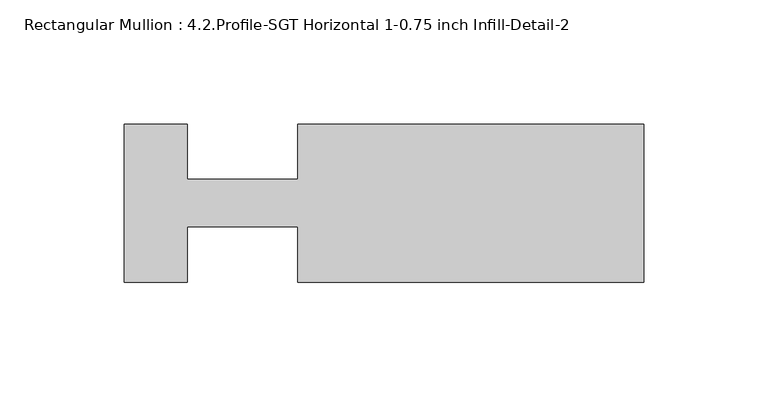
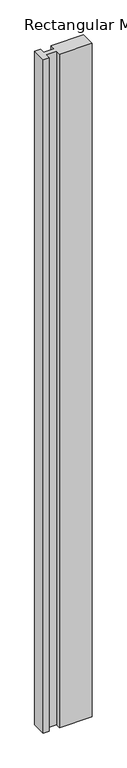
"""IFC4 building model written with IfcOpenShell, lengths in millimetres: member geometry, Rectangular Mullion : 4.2.Profile-SGT Horizontal 1-0.75 inch Infill-Detail-2."""

from ifc_helpers import new_model, si_unit, frame, origin, place, context, project, spatial, polyline, outline, extrude, source, transform, mapped, element, save


def rectangular_mullion_4_2_profile_sgt_horizontal_1_0_75_inch_eb58a43b(model_context):
    return source(origin(), model_context, "Body", "SweptSolid", [
        extrude(outline(polyline([(-209.042, 31.75), (-183.6547603, 31.75), (-183.6547603, 9.5251132), (-139.192, 9.5251132), (-139.192, 31.75), (0.0, 31.75), (0.0, -31.75), (-139.192, -31.75), (-139.192, -9.5250001), (-183.6547603, -9.5250001), (-183.6547603, -31.75), (-209.042, -31.75), (-209.042, 31.75)])), frame((0.0, 0.0, -3048.0), z_axis=(0.0, 0.0, 1.0), x_axis=(1.0, 0.0, 0.0)), (0.0, 0.0, 1.0), 3048.0),
    ])


if __name__ == "__main__":
    model = new_model("IFC4")
    model_context = context("Model", 3, world=origin())
    ifc_project = project(units=[si_unit("LENGTHUNIT", "METRE", prefix="MILLI")], contexts=[model_context])
    site = spatial("IfcSite", under=ifc_project)
    building = spatial("IfcBuilding", under=site)
    placement = place(None, origin())
    rectangular_mullion_4_2_profile_sgt_horizontal_1_0_75_inch_shape = rectangular_mullion_4_2_profile_sgt_horizontal_1_0_75_inch_eb58a43b(model_context)
    element("IfcMember", 1, ObjectType="Rectangular Mullion : 4.2.Profile-SGT Horizontal 1-0.75 inch Infill-Detail-2", at=placement, inside=building, context=model_context, shape_type="MappedRepresentation", body=[
        mapped(rectangular_mullion_4_2_profile_sgt_horizontal_1_0_75_inch_shape, transform((0.0, 0.0, 0.0), x_axis=(1.0, 0.0, 0.0), y_axis=(0.0, 1.0, 0.0), z_axis=(0.0, 0.0, 1.0))),
    ])
    save(model, "model.ifc")
